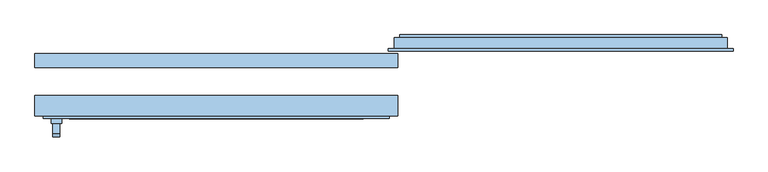
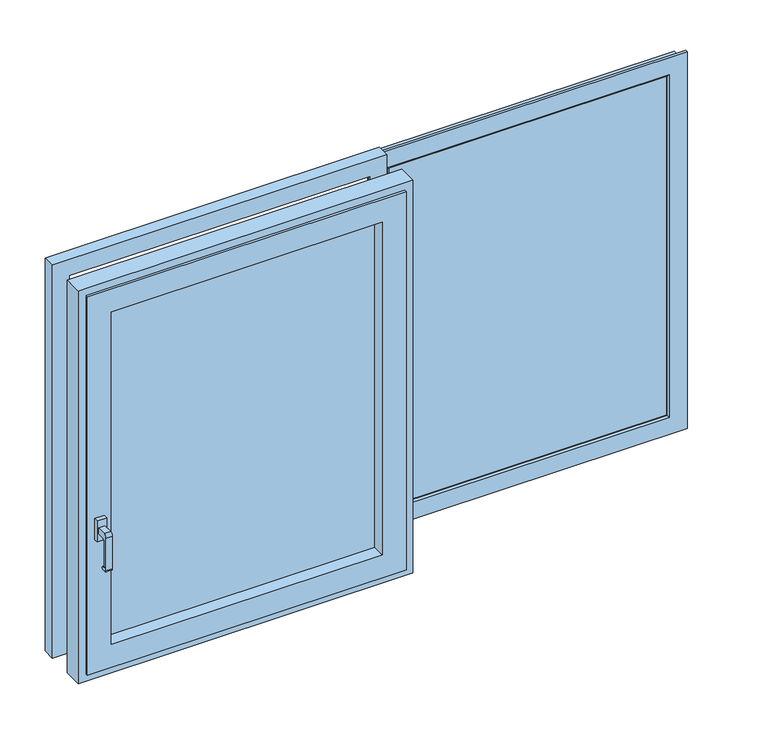
"""IFC4 building model written with IfcOpenShell, lengths in millimetres: window geometry."""

from ifc_helpers import new_model, si_unit, point, frame, frame_2d, origin, place, context, project, spatial, polyline, circle_curve, ellipse_curve, trimmed, segment, composite_curve, outline, extrude, faceted_brep, source, transform, mapped, element, save
from ifc_brep_helpers import plane_surface, cylinder_surface, advanced_brep


def window_e44081d3(model_context):
    return source(origin(), model_context, "Body", "SolidModel", [
        extrude(outline(polyline([(1429.1, 165.0), (557.9, 165.0), (557.9, 197.5), (1429.1, 197.5), (1429.1, 165.0)])), frame((0.0, 0.0, 987.9), z_axis=(0.0, 0.0, 1.0), x_axis=(1.0, 0.0, 0.0)), (0.0, 0.0, 1.0), 1124.2),
        advanced_brep(
        [(1473.033119, 197.5, 2156.033119), (1473.033119, 165.0, 2156.033119), (1473.033119, 165.0, 943.966881), (1473.033119, 197.5, 943.966881), (513.966881, 165.0, 943.966881), (513.966881, 197.5, 943.966881), (496.5, 165.0, 926.5), (496.5, 165.0, 2173.5), (1490.5, 165.0, 2173.5), (1490.5, 165.0, 926.5), (513.966881, 165.0, 2156.033119), (513.966881, 197.5, 2156.033119), (1458.5, 197.5, 958.5), (1458.5, 197.5, 2141.5), (528.5, 197.5, 2141.5), (528.5, 197.5, 958.5), (1458.5, 205.0, 2141.5), (1458.5, 205.0, 958.5), (528.5, 205.0, 958.5), (528.5, 205.0, 2141.5), (1434.0, 205.0, 983.0), (1434.0, 205.0, 2117.0), (553.0, 205.0, 2117.0), (553.0, 205.0, 983.0), (1429.0, 200.0, 2112.0), (1429.0, 200.0, 988.0), (558.0, 200.0, 988.0), (558.0, 200.0, 2112.0), (1429.0, 162.5, 988.0), (558.0, 162.5, 988.0), (1429.0, 162.5, 2112.0), (558.0, 162.5, 2112.0), (1434.0, 157.5, 983.0), (553.0, 157.5, 983.0), (1434.0, 157.5, 2117.0), (553.0, 157.5, 2117.0), (1490.5, 157.5, 926.5), (1490.5, 157.5, 2173.5), (496.5, 157.5, 2173.5), (496.5, 157.5, 926.5)],
        [
            (0, 1),
            (1, 2),
            (2, 3),
            (3, 0),
            (2, 4),
            (4, 5),
            (5, 3),
            (6, 7),
            (7, 8),
            (8, 9),
            (9, 6),
            (1, 10),
            (10, 4),
            (10, 11),
            (11, 5),
            (11, 0),
            (12, 13),
            (13, 14),
            (14, 15),
            (15, 12),
            (16, 13),
            (12, 17),
            (17, 16),
            (15, 18),
            (18, 17),
            (14, 19),
            (19, 18),
            (19, 16),
            (20, 21),
            (21, 22),
            (22, 23),
            (23, 20),
            (24, 21, ellipse_curve(frame((1434.0, 200.0, 2117.0), z_axis=(0.7071067811865475, 0.0, -0.7071067811865475), x_axis=(0.7071067811865474, 0.0, 0.7071067811865476)), 7.0710678, 5.0)),
            (20, 25, ellipse_curve(frame((1434.0, 200.0, 983.0), z_axis=(0.7071067811865475, 0.0, 0.7071067811865475), x_axis=(-0.7071067811865474, 0.0, 0.7071067811865476)), 7.0710678, 5.0)),
            (25, 24),
            (23, 26, ellipse_curve(frame((553.0, 200.0, 983.0), z_axis=(0.7071067811865475, 0.0, -0.7071067811865475), x_axis=(0.7071067811865476, 0.0, 0.7071067811865474)), 7.0710678, 5.0)),
            (26, 25),
            (22, 27, ellipse_curve(frame((553.0, 200.0, 2117.0), z_axis=(-0.7071067811865475, 0.0, -0.7071067811865475), x_axis=(0.7071067811865474, 0.0, -0.7071067811865476)), 7.0710678, 5.0)),
            (27, 26),
            (28, 25),
            (26, 29),
            (29, 28),
            (30, 24),
            (28, 30),
            (27, 31),
            (31, 29),
            (32, 28, ellipse_curve(frame((1434.0, 162.5, 983.0), z_axis=(-0.7071067811865475, 0.0, -0.7071067811865475), x_axis=(0.7071067811865476, 0.0, -0.7071067811865474)), 7.0710678, 5.0)),
            (29, 33, ellipse_curve(frame((553.0, 162.5, 983.0), z_axis=(0.7071067811865475, 0.0, -0.7071067811865475), x_axis=(0.7071067811865476, 0.0, 0.7071067811865474)), 7.0710678, 5.0)),
            (33, 32),
            (34, 30, ellipse_curve(frame((1434.0, 162.5, 2117.0), z_axis=(0.7071067811865475, 0.0, -0.7071067811865475), x_axis=(0.7071067811865474, 0.0, 0.7071067811865476)), 7.0710678, 5.0)),
            (32, 34),
            (31, 35, ellipse_curve(frame((553.0, 162.5, 2117.0), z_axis=(-0.7071067811865475, 0.0, -0.7071067811865475), x_axis=(0.7071067811865474, 0.0, -0.7071067811865476)), 7.0710678, 5.0)),
            (35, 33),
            (36, 37),
            (37, 38),
            (38, 39),
            (39, 36),
            (35, 34),
            (8, 37),
            (36, 9),
            (39, 6),
            (38, 7),
            (24, 27),
            (30, 31),
        ],
        [
            plane_surface(frame((1473.033119, 165.0, 2156.033119), z_axis=(1.0, 0.0, 0.0), x_axis=(0.0, 0.0, -1.0))),
            plane_surface(frame((1473.033119, 165.0, 943.966881), z_axis=(0.0, 0.0, -1.0), x_axis=(-1.0, 0.0, 0.0))),
            plane_surface(frame((1490.5, 165.0, 2173.5), z_axis=(0.0, 1.0, 0.0), x_axis=(0.0, 0.0, -1.0))),
            plane_surface(frame((513.966881, 165.0, 943.966881), z_axis=(-1.0, 0.0, 0.0), x_axis=(0.0, 0.0, 1.0))),
            plane_surface(frame((1473.033119, 197.5, 2156.033119), z_axis=(0.0, 1.0, 0.0), x_axis=(0.0, 0.0, -1.0))),
            plane_surface(frame((1458.5, 197.5, 2141.5), z_axis=(1.0, 0.0, 0.0), x_axis=(0.0, 0.0, -1.0))),
            plane_surface(frame((1458.5, 197.5, 958.5), z_axis=(0.0, 0.0, -1.0), x_axis=(-1.0, 0.0, 0.0))),
            plane_surface(frame((528.5, 197.5, 958.5), z_axis=(-1.0, 0.0, 0.0), x_axis=(0.0, 0.0, 1.0))),
            plane_surface(frame((1458.5, 205.0, 2141.5), z_axis=(0.0, 1.0, 0.0), x_axis=(0.0, 0.0, -1.0))),
            cylinder_surface(frame((1434.0, 200.0, 2173.5), z_axis=(0.0, 0.0, 1.0), x_axis=(0.0, -1.0, 0.0)), 5.0),
            cylinder_surface(frame((1490.5, 200.0, 983.0), z_axis=(1.0, 0.0, 0.0), x_axis=(0.0, -1.0, 0.0)), 5.0),
            cylinder_surface(frame((553.0, 200.0, 926.5), z_axis=(0.0, 0.0, -1.0), x_axis=(0.0, -1.0, 0.0)), 5.0),
            plane_surface(frame((1429.0, 200.0, 988.0), z_axis=(0.0, 0.0, 1.0), x_axis=(-1.0, 0.0, 0.0))),
            plane_surface(frame((1429.0, 200.0, 2112.0), z_axis=(-1.0, 0.0, 0.0), x_axis=(0.0, 0.0, -1.0))),
            plane_surface(frame((558.0, 200.0, 988.0), z_axis=(1.0, 0.0, 0.0), x_axis=(0.0, 0.0, 1.0))),
            cylinder_surface(frame((1490.5, 162.5, 983.0), z_axis=(1.0, 0.0, 0.0), x_axis=(0.0, -1.0, 0.0)), 5.0),
            cylinder_surface(frame((1434.0, 162.5, 2173.5), z_axis=(0.0, 0.0, 1.0), x_axis=(0.0, -1.0, 0.0)), 5.0),
            cylinder_surface(frame((553.0, 162.5, 926.5), z_axis=(0.0, 0.0, -1.0), x_axis=(0.0, -1.0, 0.0)), 5.0),
            plane_surface(frame((1434.0, 157.5, 2117.0), z_axis=(0.0, -1.0, 0.0), x_axis=(0.0, 0.0, -1.0))),
            plane_surface(frame((1490.5, 157.5, 2173.5), z_axis=(1.0, 0.0, 0.0), x_axis=(0.0, 0.0, -1.0))),
            plane_surface(frame((1490.5, 157.5, 926.5), z_axis=(0.0, 0.0, -1.0), x_axis=(-1.0, 0.0, 0.0))),
            plane_surface(frame((496.5, 157.5, 926.5), z_axis=(-1.0, 0.0, 0.0), x_axis=(0.0, 0.0, 1.0))),
            plane_surface(frame((513.966881, 165.0, 2156.033119), z_axis=(0.0, 0.0, 1.0), x_axis=(1.0, 0.0, 0.0))),
            plane_surface(frame((528.5, 197.5, 2141.5), z_axis=(0.0, 0.0, 1.0), x_axis=(1.0, 0.0, 0.0))),
            cylinder_surface(frame((496.5, 200.0, 2117.0), z_axis=(-1.0, 0.0, 0.0), x_axis=(0.0, -1.0, 0.0)), 5.0),
            plane_surface(frame((558.0, 200.0, 2112.0), z_axis=(0.0, 0.0, -1.0), x_axis=(1.0, 0.0, 0.0))),
            cylinder_surface(frame((496.5, 162.5, 2117.0), z_axis=(-1.0, 0.0, 0.0), x_axis=(0.0, -1.0, 0.0)), 5.0),
            plane_surface(frame((496.5, 157.5, 2173.5), z_axis=(0.0, 0.0, 1.0), x_axis=(1.0, 0.0, 0.0))),
        ],
        [
            (0, [[1, 2, 3, 4]]),
            (1, [[-3, 5, 6, 7]]),
            (2, [[8, 9, 10, 11], [-2, 12, 13, -5]]),
            (3, [[-6, -13, 14, 15]]),
            (4, [[-15, 16, -4, -7], [17, 18, 19, 20]]),
            (5, [[21, -17, 22, 23]]),
            (6, [[-22, -20, 24, 25]]),
            (7, [[-24, -19, 26, 27]]),
            (8, [[-27, 28, -23, -25], [29, 30, 31, 32]]),
            (9, [[33, -29, 34, 35]]),
            (10, [[-34, -32, 36, 37]]),
            (11, [[-36, -31, 38, 39]]),
            (12, [[40, -37, 41, 42]]),
            (13, [[43, -35, -40, 44]]),
            (14, [[-41, -39, 45, 46]]),
            (15, [[47, -42, 48, 49]]),
            (16, [[50, -44, -47, 51]]),
            (17, [[-48, -46, 52, 53]]),
            (18, [[54, 55, 56, 57], [-53, 58, -51, -49]]),
            (19, [[59, -54, 60, -10]]),
            (20, [[-60, -57, 61, -11]]),
            (21, [[-61, -56, 62, -8]]),
            (22, [[-14, -12, -1, -16]]),
            (23, [[-26, -18, -21, -28]]),
            (24, [[-38, -30, -33, 63]]),
            (25, [[-45, -63, -43, 64]]),
            (26, [[-52, -64, -50, -58]]),
            (27, [[-62, -55, -59, -9]]),
        ],
    ),
        faceted_brep([(-523.0, 110.0, 2200.0), (-523.0, 150.0, 2200.0), (-523.0, 150.0, 900.0), (-523.0, 110.0, 900.0), (523.0, 150.0, 2200.0), (523.0, 150.0, 900.0), (-490.5, 150.0, 932.5), (490.5, 150.0, 932.5), (490.5, 150.0, 2167.5), (-490.5, 150.0, 2167.5), (523.0, 110.0, 900.0), (523.0, 110.0, 2200.0), (-469.5, 110.0, 2146.5), (469.5, 110.0, 2146.5), (469.5, 110.0, 953.5), (-469.5, 110.0, 953.5), (-469.5, 115.0, 2146.5), (-469.5, 115.0, 953.5), (469.5, 115.0, 953.5), (-490.5, 115.0, 2167.5), (490.5, 115.0, 2167.5), (490.5, 115.0, 932.5), (-490.5, 115.0, 932.5), (469.5, 115.0, 2146.5)], [[[0, 1, 2, 3]], [[1, 4, 5, 2], [6, 7, 8, 9]], [[3, 2, 5, 10]], [[3, 10, 11, 0], [12, 13, 14, 15]], [[16, 12, 15, 17]], [[17, 15, 14, 18]], [[19, 20, 21, 22], [17, 18, 23, 16]], [[9, 19, 22, 6]], [[6, 22, 21, 7]], [[10, 5, 4, 11]], [[18, 14, 13, 23]], [[7, 21, 20, 8]], [[11, 4, 1, 0]], [[23, 13, 12, 16]], [[8, 20, 19, 9]]]),
        extrude(outline(composite_curve([segment(polyline([(-80.5, 1410.0), (-50.5, 1410.0), (-50.5, 1390.0), (-75.5, 1390.0)]), True, "CONTINUOUS"), segment(trimmed(circle_curve(frame_2d((-75.5, 1385.0)), 5.0), [point((-75.5, 1390.0))], [point((-80.5, 1385.0))], True, "CARTESIAN"), True, "CONTINUOUS"), segment(polyline([(-80.5, 1385.0), (-80.5, 1300.0786403)]), True, "CONTINUOUS"), segment(trimmed(circle_curve(frame_2d((-77.4213597, 1300.0786403)), 3.0786403), [point((-80.5, 1300.0786403))], [point((-77.4213597, 1297.0))], True, "CARTESIAN"), True, "CONTINUOUS"), segment(polyline([(-77.4213597, 1297.0), (-75.5, 1297.0)]), True, "CONTINUOUS"), segment(trimmed(circle_curve(frame_2d((-75.5, 1292.0)), 5.0), [point((-75.5, 1297.0))], [point((-75.5, 1287.0))], False, "CARTESIAN"), True, "CONTINUOUS"), segment(polyline([(-75.5, 1287.0), (-85.8955173, 1287.0)]), True, "CONTINUOUS"), segment(trimmed(circle_curve(frame_2d((-85.8955173, 1291.6044827)), 4.6044827), [point((-85.8955173, 1287.0))], [point((-90.5, 1291.6044827))], False, "CARTESIAN"), True, "CONTINUOUS"), segment(polyline([(-90.5, 1291.6044827), (-90.5, 1400.0)]), True, "CONTINUOUS"), segment(trimmed(circle_curve(frame_2d((-80.5, 1400.0)), 10.0), [point((-90.5, 1400.0))], [point((-80.5, 1410.0))], False, "CARTESIAN"), True, "CONTINUOUS")], self_intersect=False)), frame((-471.2536732, 0.0, 0.0), z_axis=(1.0, 0.0, 0.0), x_axis=(0.0, 1.0, 0.0)), (0.0, 0.0, 1.0), 20.0),
        extrude(outline(polyline([(-476.2536732, -50.5), (-476.2536732, -37.5), (-446.2536732, -37.5), (-446.2536732, -50.5), (-476.2536732, -50.5)])), frame((0.0, 0.0, 1365.0), z_axis=(0.0, 0.0, 1.0), x_axis=(1.0, 0.0, 0.0)), (0.0, 0.0, 1.0), 70.0),
        extrude(outline(polyline([(-423.5, 10.0), (423.5, 10.0), (423.5, 4.0), (-423.5, 4.0), (-423.5, 10.0)])), frame((0.0, 0.0, 999.5), z_axis=(0.0, 0.0, 1.0), x_axis=(1.0, 0.0, 0.0)), (0.0, 0.0, 1.0), 1101.0),
        extrude(outline(polyline([(-423.5, 22.0), (423.5, 22.0), (423.5, 16.0), (-423.5, 16.0), (-423.5, 22.0)])), frame((0.0, 0.0, 999.5), z_axis=(0.0, 0.0, 1.0), x_axis=(1.0, 0.0, 0.0)), (0.0, 0.0, 1.0), 1101.0),
        faceted_brep([(-493.0, -30.0, 2170.0), (-493.0, 20.0, 2170.0), (-493.0, 20.0, 930.0), (-493.0, -30.0, 930.0), (493.0, 20.0, 2170.0), (493.0, 20.0, 930.0), (-465.0, 20.0, 958.0), (465.0, 20.0, 958.0), (465.0, 20.0, 2142.0), (-465.0, 20.0, 2142.0), (493.0, -30.0, 930.0), (-499.0, -30.0, 2176.0), (499.0, -30.0, 2176.0), (499.0, -30.0, 924.0), (-499.0, -30.0, 924.0), (493.0, -30.0, 2170.0), (-499.0, -37.5, 2176.0), (-499.0, -37.5, 924.0), (499.0, -37.5, 924.0), (499.0, -37.5, 2176.0), (-423.5, -37.5, 2100.5), (423.5, -37.5, 2100.5), (423.5, -37.5, 999.5), (-423.5, -37.5, 999.5), (-423.5, 30.0, 2100.5), (-423.5, 30.0, 999.5), (423.5, 30.0, 999.5), (-465.0, 30.0, 2142.0), (465.0, 30.0, 2142.0), (465.0, 30.0, 958.0), (-465.0, 30.0, 958.0), (423.5, 30.0, 2100.5)], [[[0, 1, 2, 3]], [[1, 4, 5, 2], [6, 7, 8, 9]], [[3, 2, 5, 10]], [[11, 12, 13, 14], [3, 10, 15, 0]], [[16, 11, 14, 17]], [[17, 14, 13, 18]], [[17, 18, 19, 16], [20, 21, 22, 23]], [[24, 20, 23, 25]], [[25, 23, 22, 26]], [[27, 28, 29, 30], [25, 26, 31, 24]], [[9, 27, 30, 6]], [[6, 30, 29, 7]], [[10, 5, 4, 15]], [[18, 13, 12, 19]], [[26, 22, 21, 31]], [[7, 29, 28, 8]], [[15, 4, 1, 0]], [[19, 12, 11, 16]], [[31, 21, 20, 24]], [[8, 28, 27, 9]]]),
        faceted_brep([(-523.0, 30.0, 2200.0), (-523.0, 30.0, 900.0), (-523.0, -30.0, 900.0), (-523.0, -30.0, 2200.0), (523.0, 30.0, 2200.0), (523.0, 30.0, 900.0), (-465.0, 30.0, 958.0), (465.0, 30.0, 958.0), (465.0, 30.0, 2142.0), (-465.0, 30.0, 2142.0), (523.0, -30.0, 900.0), (523.0, -30.0, 2200.0), (-493.0, -30.0, 2170.0), (493.0, -30.0, 2170.0), (493.0, -30.0, 930.0), (-493.0, -30.0, 930.0), (-493.0, 20.0, 2170.0), (-493.0, 20.0, 930.0), (493.0, 20.0, 930.0), (493.0, 20.0, 2170.0), (-465.0, 20.0, 2142.0), (465.0, 20.0, 2142.0), (465.0, 20.0, 958.0), (-465.0, 20.0, 958.0)], [[[0, 1, 2, 3]], [[0, 4, 5, 1], [6, 7, 8, 9]], [[2, 1, 5, 10]], [[2, 10, 11, 3], [12, 13, 14, 15]], [[16, 12, 15, 17]], [[17, 15, 14, 18]], [[17, 18, 19, 16], [20, 21, 22, 23]], [[9, 20, 23, 6]], [[6, 23, 22, 7]], [[10, 5, 4, 11]], [[18, 14, 13, 19]], [[7, 22, 21, 8]], [[11, 4, 0, 3]], [[19, 13, 12, 16]], [[8, 21, 20, 9]]]),
    ])


if __name__ == "__main__":
    model = new_model("IFC4")
    model_context = context("Model", 3, world=origin())
    ifc_project = project(units=[si_unit("LENGTHUNIT", "METRE", prefix="MILLI")], contexts=[model_context])
    site = spatial("IfcSite", under=ifc_project)
    building = spatial("IfcBuilding", under=site)
    placement = place(None, origin())
    window_shape = window_e44081d3(model_context)
    element("IfcWindow", 1, at=placement, inside=building, context=model_context, shape_type="MappedRepresentation", body=[
        mapped(window_shape, transform((0.0, 0.0, 0.0), x_axis=(1.0, 0.0, 0.0), y_axis=(0.0, 1.0, 0.0), z_axis=(0.0, 0.0, 1.0))),
    ])
    save(model, "model.ifc")
